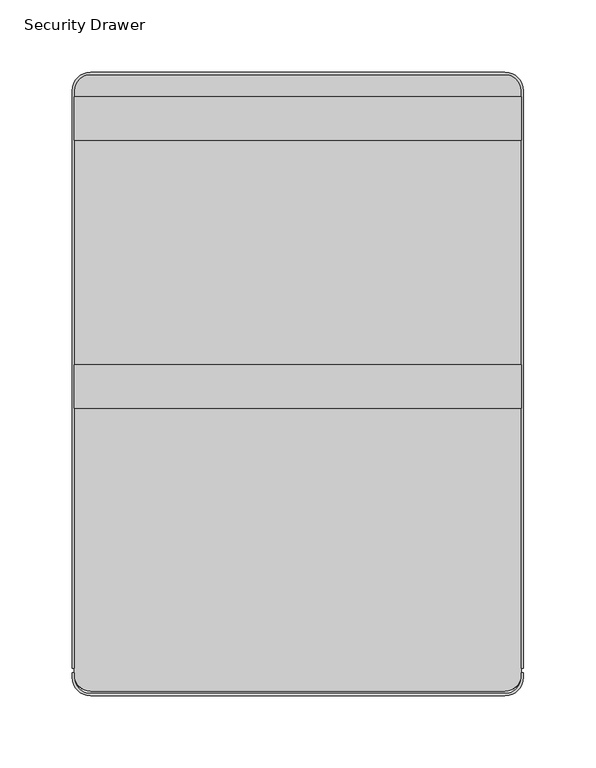
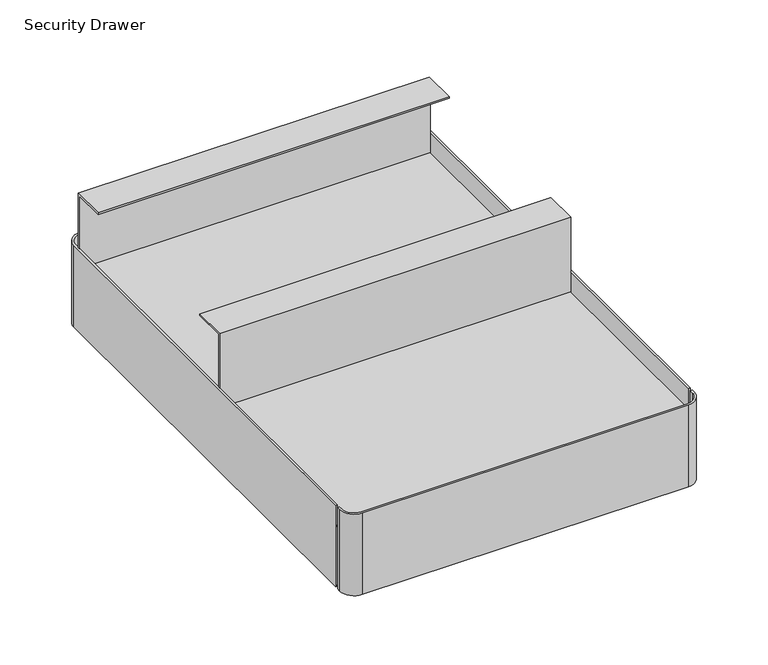
"""IFC4 building model written with IfcOpenShell, lengths in millimetres: furniture geometry, Security Drawer."""

from ifc_helpers import new_model, si_unit, point, frame, frame_2d, origin, place, context, project, spatial, polyline, circle_curve, trimmed, segment, composite_curve, outline, extrude, source, transform, mapped, element, save


def security_drawer_5e3916b3(model_context):
    return source(origin(), model_context, "Body", "SweptSolid", [
        extrude(outline(composite_curve([segment(trimmed(circle_curve(frame_2d((105.56875, -57.15)), 11.1125), [point((105.56875, -46.0375))], [point((116.68125, -57.15))], False, "CARTESIAN"), True, "CONTINUOUS"), segment(polyline([(116.68125, -57.15), (116.68125, -461.9625)]), True, "CONTINUOUS"), segment(trimmed(circle_curve(frame_2d((105.56875, -461.9625)), 11.1125), [point((116.68125, -461.9625))], [point((105.56875, -473.075))], False, "CARTESIAN"), True, "CONTINUOUS"), segment(polyline([(105.56875, -473.075), (-181.76875, -473.075)]), True, "CONTINUOUS"), segment(trimmed(circle_curve(frame_2d((-181.76875, -461.9625)), 11.1125), [point((-181.76875, -473.075))], [point((-192.88125, -461.9625))], False, "CARTESIAN"), True, "CONTINUOUS"), segment(polyline([(-192.88125, -461.9625), (-192.88125, -57.15)]), True, "CONTINUOUS"), segment(trimmed(circle_curve(frame_2d((-181.76875, -57.15)), 11.1125), [point((-192.88125, -57.15))], [point((-181.76875, -46.0375))], False, "CARTESIAN"), True, "CONTINUOUS"), segment(polyline([(-181.76875, -46.0375), (105.56875, -46.0375)]), True, "CONTINUOUS")], self_intersect=False)), frame((0.0, 0.0, 633.4124758), z_axis=(0.0, 0.0, 1.0), x_axis=(1.0, 0.0, 0.0)), (0.0, 0.0, 1.0), 1.5875),
        extrude(outline(composite_curve([segment(trimmed(circle_curve(frame_2d((105.56875, -57.15)), 11.1125), [point((105.56875, -46.0375))], [point((116.68125, -57.15))], False, "CARTESIAN"), True, "CONTINUOUS"), segment(polyline([(116.68125, -57.15), (116.68125, -461.9625)]), True, "CONTINUOUS"), segment(trimmed(circle_curve(frame_2d((105.56875, -461.9625)), 11.1125), [point((116.68125, -461.9625))], [point((105.56875, -473.075))], False, "CARTESIAN"), True, "CONTINUOUS"), segment(polyline([(105.56875, -473.075), (-181.76875, -473.075)]), True, "CONTINUOUS"), segment(trimmed(circle_curve(frame_2d((-181.76875, -461.9625)), 11.1125), [point((-181.76875, -473.075))], [point((-192.88125, -461.9625))], False, "CARTESIAN"), True, "CONTINUOUS"), segment(polyline([(-192.88125, -461.9625), (-192.88125, -57.15)]), True, "CONTINUOUS"), segment(trimmed(circle_curve(frame_2d((-181.76875, -57.15)), 11.1125), [point((-192.88125, -57.15))], [point((-181.76875, -46.0375))], False, "CARTESIAN"), True, "CONTINUOUS"), segment(polyline([(-181.76875, -46.0375), (105.56875, -46.0375)]), True, "CONTINUOUS")], self_intersect=False)), frame((0.0, 0.0, 577.85), z_axis=(0.0, 0.0, 1.0), x_axis=(1.0, 0.0, 0.0)), (0.0, 0.0, 1.0), 1.5875),
        extrude(outline(polyline([(-277.3171814, 634.9999758), (-277.3171814, 704.85), (-247.1546814, 704.85), (-247.1546814, 703.2625), (-275.7296814, 703.2625), (-275.7296814, 634.9999758), (-277.3171814, 634.9999758)])), frame((-192.88125, 0.0, 0.0), z_axis=(1.0, 0.0, 0.0), x_axis=(0.0, 1.0, 0.0)), (0.0, 0.0, 1.0), 309.5625),
        extrude(outline(polyline([(-61.4172056, 634.9999758), (-63.0047056, 634.9999758), (-63.0047056, 703.2625), (-91.5797056, 703.2625), (-91.5797056, 704.85), (-61.4172056, 704.85), (-61.4172056, 634.9999758)])), frame((-192.88125, 0.0, 0.0), z_axis=(1.0, 0.0, 0.0), x_axis=(0.0, 1.0, 0.0)), (0.0, 0.0, 1.0), 309.5625),
        extrude(outline(composite_curve([segment(polyline([(-194.46875, -463.55), (-194.46875, -460.375), (-192.88125, -460.375), (-192.88125, -463.55)]), True, "CONTINUOUS"), segment(trimmed(circle_curve(frame_2d((-181.76875, -463.55)), 11.1125), [point((-192.88125, -463.55))], [point((-181.76875, -474.6625))], True, "CARTESIAN"), True, "CONTINUOUS"), segment(polyline([(-181.76875, -474.6625), (105.56875, -474.6625)]), True, "CONTINUOUS"), segment(trimmed(circle_curve(frame_2d((105.56875, -463.55)), 11.1125), [point((105.56875, -474.6625))], [point((116.68125, -463.55))], True, "CARTESIAN"), True, "CONTINUOUS"), segment(polyline([(116.68125, -463.55), (116.68125, -460.375), (118.26875, -460.375), (118.26875, -463.55)]), True, "CONTINUOUS"), segment(trimmed(circle_curve(frame_2d((105.56875, -463.55)), 12.7), [point((118.26875, -463.55))], [point((105.56875, -476.25))], False, "CARTESIAN"), True, "CONTINUOUS"), segment(polyline([(105.56875, -476.25), (-181.76875, -476.25)]), True, "CONTINUOUS"), segment(trimmed(circle_curve(frame_2d((-181.76875, -463.55)), 12.7), [point((-181.76875, -476.25))], [point((-194.46875, -463.55))], False, "CARTESIAN"), True, "CONTINUOUS")], self_intersect=False)), frame((0.0, 0.0, 577.85), z_axis=(0.0, 0.0, 1.0), x_axis=(1.0, 0.0, 0.0)), (0.0, 0.0, 1.0), 76.2),
        extrude(outline(composite_curve([segment(trimmed(circle_curve(frame_2d((-181.76875, -57.15)), 12.7), [point((-194.46875, -57.15))], [point((-181.76875, -44.45))], False, "CARTESIAN"), True, "CONTINUOUS"), segment(polyline([(-181.76875, -44.45), (105.56875, -44.45)]), True, "CONTINUOUS"), segment(trimmed(circle_curve(frame_2d((105.56875, -57.15)), 12.7), [point((105.56875, -44.45))], [point((118.26875, -57.15))], False, "CARTESIAN"), True, "CONTINUOUS"), segment(polyline([(118.26875, -57.15), (118.26875, -457.2), (116.68125, -457.2), (116.68125, -57.15)]), True, "CONTINUOUS"), segment(trimmed(circle_curve(frame_2d((105.56875, -57.15)), 11.1125), [point((116.68125, -57.15))], [point((105.56875, -46.0375))], True, "CARTESIAN"), True, "CONTINUOUS"), segment(polyline([(105.56875, -46.0375), (-181.76875, -46.0375)]), True, "CONTINUOUS"), segment(trimmed(circle_curve(frame_2d((-181.76875, -57.15)), 11.1125), [point((-181.76875, -46.0375))], [point((-192.88125, -57.15))], True, "CARTESIAN"), True, "CONTINUOUS"), segment(polyline([(-192.88125, -57.15), (-192.88125, -457.2), (-194.46875, -457.2), (-194.46875, -57.15)]), True, "CONTINUOUS")], self_intersect=False)), frame((0.0, 0.0, 577.85), z_axis=(0.0, 0.0, 1.0), x_axis=(1.0, 0.0, 0.0)), (0.0, 0.0, 1.0), 76.2),
    ])


if __name__ == "__main__":
    model = new_model("IFC4")
    model_context = context("Model", 3, world=origin())
    ifc_project = project(units=[si_unit("LENGTHUNIT", "METRE", prefix="MILLI")], contexts=[model_context])
    site = spatial("IfcSite", under=ifc_project)
    building = spatial("IfcBuilding", under=site)
    placement = place(None, origin())
    security_drawer_shape = security_drawer_5e3916b3(model_context)
    element("IfcFurniture", 1, ObjectType="Security Drawer", at=placement, inside=building, context=model_context, shape_type="MappedRepresentation", body=[
        mapped(security_drawer_shape, transform((0.0, 0.0, 0.0), x_axis=(1.0, 0.0, 0.0), y_axis=(0.0, 1.0, 0.0), z_axis=(0.0, 0.0, 1.0))),
    ])
    save(model, "model.ifc")
